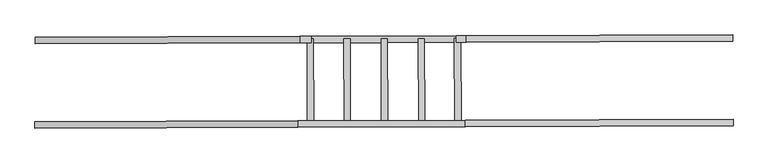
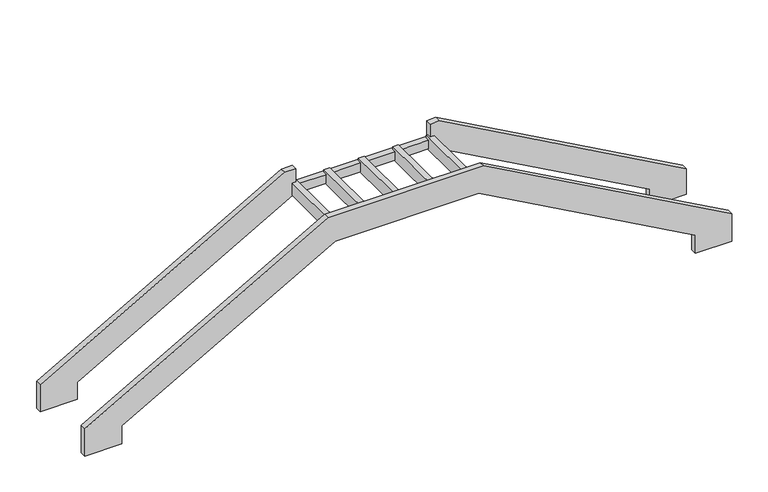
"""IFC4 building model written with IfcOpenShell, lengths in millimetres: stair geometry."""

from ifc_helpers import new_model, si_unit, origin, place, context, project, spatial, faceted_brep, source, transform, mapped, element, save


def stair_edecbb21(model_context):
    return source(origin(), model_context, "Body", "Brep", [
        faceted_brep([(-43125.0438191, 100260.071155, -2169.9020301), (-39566.9429432, 100272.5818663, -171.1765302), (-37167.6908509, 100281.0179258, -171.1765302), (-33550.7709802, 100293.7354518, -2182.107626), (-33550.7709802, 100293.7354518, -2503.2639797), (-32941.1094988, 100295.879095, -2503.2639797), (-32941.1094988, 100295.879095, -2024.1489021), (-37083.1965917, 100281.3150178, 278.7640832), (-39678.5890028, 100272.1893053, 278.7640832), (-43744.6606774, 100257.8925074, -2005.3086354), (-43744.6606774, 100257.8925074, -2484.9395685), (-43125.0438191, 100260.071155, -2484.9395685), (-43125.3961184, 100360.2666319, -2169.9020301), (-43125.3961184, 100360.2666319, -2484.9395685), (-43745.0129768, 100358.0879844, -2484.9395685), (-43745.0129768, 100358.0879844, -2005.3086354), (-39678.9413022, 100372.3847823, 278.7640832), (-37083.5488911, 100381.5104947, 278.7640832), (-32941.4617982, 100396.074572, -2024.1489021), (-32941.4617982, 100396.074572, -2503.2639797), (-33551.1232796, 100393.9309288, -2503.2639797), (-33551.1232796, 100393.9309288, -2182.107626), (-37168.0431503, 100381.2134027, -171.1765302), (-39567.2952426, 100372.7773433, -171.1765302), (-39526.8895444, 100372.9194146, -163.9867204), (-39431.9171883, 100373.2533488, -163.9867204), (-39431.9171883, 100373.2533488, 50.875), (-39526.8895444, 100372.9194146, 50.875), (-38958.6925861, 100374.9172635, -163.9867204), (-38863.7202299, 100375.2511978, -163.9867204), (-38863.7202299, 100375.2511978, 50.875), (-38958.6925861, 100374.9172635, 50.875), (-38381.9178689, 100376.9452729, -163.9867204), (-38286.9455128, 100377.2792072, -163.9867204), (-38286.9455128, 100377.2792072, 50.875), (-38381.9178689, 100376.9452729, 50.875), (-37808.8653389, 100378.9601947, -163.9867204), (-37713.8929827, 100379.2941289, -163.9867204), (-37713.8929827, 100379.2941289, 50.875), (-37808.8653389, 100378.9601947, 50.875), (-37248.6335156, 100380.9300373, -163.9867204), (-37151.1611749, 100381.2727618, -163.9867204), (-37151.1611749, 100381.2727618, 50.875), (-37248.6335156, 100380.9300373, 50.875), (-33555.3515486, 101596.4690823, -2167.6484851), (-33555.3515486, 101596.4690823, -2468.5005751), (-32945.6900672, 101598.6127255, -2468.5005751), (-32945.6900672, 101598.6127255, -2014.6897613), (-37070.7636709, 101584.1084697, 278.7640832), (-37225.7927136, 101583.5633689, 278.7640832), (-37225.7927136, 101583.5633689, 50.875), (-37155.3894439, 101583.8109153, 50.875), (-37155.3894439, 101583.8109153, -163.9867204), (-37159.1965864, 101583.7975289, -163.9867204), (-39467.0207442, 101575.6829411, 278.7640832), (-39649.051175, 101575.0429002, 278.7640832), (-43739.2413077, 101560.6612988, -2018.856924), (-43739.2413077, 101560.6612988, -2494.9395685), (-43119.6244493, 101562.8399464, -2494.9395685), (-43119.6244493, 101562.8399464, -2193.4503186), (-39506.8040762, 101575.5430581, -163.9867204), (-39531.1178134, 101575.4575681, -163.9867204), (-39531.1178134, 101575.4575681, 50.875), (-39467.0207442, 101575.6829411, 50.875), (-39436.1454573, 101575.7915023, -151.1765302), (-38962.9208551, 101577.455417, -151.1765302), (-38962.9208551, 101577.455417, 0.8640832), (-39436.1454573, 101575.7915023, 0.8640832), (-38867.948499, 101577.7893513, -151.1765302), (-38386.146138, 101579.4834264, -151.1765302), (-38386.146138, 101579.4834264, 0.8640832), (-38867.948499, 101577.7893513, 0.8640832), (-38291.1737819, 101579.8173607, -151.1765302), (-37813.0936079, 101581.4983482, -151.1765302), (-37813.0936079, 101581.4983482, 0.8640832), (-38291.1737819, 101579.8173607, 0.8640832), (-37718.1212518, 101581.8322824, -151.1765302), (-37252.8617846, 101583.4681908, -151.1765302), (-37252.8617846, 101583.4681908, 0.8640832), (-37718.1212518, 101581.8322824, 0.8640832), (-43119.9767486, 101663.0354233, -2193.4503186), (-43119.9767486, 101663.0354233, -2494.9395685), (-43739.593607, 101660.8567758, -2494.9395685), (-43739.593607, 101660.8567758, -2018.856924), (-39649.4034743, 101675.2383771, 278.7640832), (-39467.3730436, 101675.878418, 278.7640832), (-39467.3730436, 101675.878418, 0.8640832), (-37226.145013, 101683.7588458, 0.8640832), (-37226.145013, 101683.7588458, 278.7640832), (-37071.1159703, 101684.3039466, 278.7640832), (-32946.0423666, 101698.8082024, -2014.6897613), (-32946.0423666, 101698.8082024, -2468.5005751), (-33555.703848, 101696.6645592, -2468.5005751), (-33555.703848, 101696.6645592, -2167.6484851), (-37182.589671, 101683.9119917, -151.1765302), (-39484.3518689, 101675.8187184, -151.1765302), (-39484.2128299, 101636.2754176, -151.1765302), (-39507.0173366, 101636.1952342, -163.9867204), (-37182.450632, 101644.3686908, -151.1765302), (-37253.075045, 101644.1203669, -151.1765302), (-37718.3345121, 101642.4844585, -151.1765302), (-37813.3068683, 101642.1505243, -151.1765302), (-38291.3870422, 101640.4695368, -151.1765302), (-38386.3593983, 101640.1356025, -151.1765302), (-38868.1617593, 101638.4415274, -151.1765302), (-38963.1341154, 101638.1075931, -151.1765302), (-39436.3587177, 101636.4436784, -151.1765302), (-37159.4098467, 101644.449705, -163.9867204), (-37226.005974, 101644.215545, 0.8640832), (-37226.005974, 101644.215545, 50.875), (-39467.2340046, 101636.3351172, 0.8640832), (-39436.3587177, 101636.4436784, 0.8640832), (-38963.1341154, 101638.1075931, 0.8640832), (-38868.1617593, 101638.4415274, 0.8640832), (-38386.3593983, 101640.1356025, 0.8640832), (-38291.3870422, 101640.4695368, 0.8640832), (-37813.3068683, 101642.1505243, 0.8640832), (-37718.3345121, 101642.4844585, 0.8640832), (-37253.075045, 101644.1203669, 0.8640832), (-39467.2340046, 101636.3351172, 50.875), (-38963.1341154, 101638.1075931, 50.875), (-38868.1617593, 101638.4415274, 50.875), (-38868.1617593, 101638.4415274, -163.9867204), (-38963.1341154, 101638.1075931, -163.9867204), (-38386.3593983, 101640.1356025, 50.875), (-38291.3870422, 101640.4695368, 50.875), (-38291.3870422, 101640.4695368, -163.9867204), (-38386.3593983, 101640.1356025, -163.9867204), (-37813.3068683, 101642.1505243, 50.875), (-37718.3345121, 101642.4844585, 50.875), (-37718.3345121, 101642.4844585, -163.9867204), (-37813.3068683, 101642.1505243, -163.9867204), (-39436.3587177, 101636.4436784, 50.875), (-39436.3587177, 101636.4436784, -163.9867204), (-37253.075045, 101644.1203669, -163.9867204), (-37253.075045, 101644.1203669, 50.875)], [[[0, 1, 2, 3, 4, 5, 6, 7, 8, 9, 10, 11]], [[12, 13, 14, 15, 16, 17, 18, 19, 20, 21, 22, 23], [24, 25, 26, 27], [28, 29, 30, 31], [32, 33, 34, 35], [36, 37, 38, 39], [40, 41, 42, 43]], [[1, 0, 12, 23]], [[2, 1, 23, 22]], [[3, 2, 22, 21]], [[4, 3, 21, 20]], [[5, 4, 20, 19]], [[6, 5, 19, 18]], [[7, 6, 18, 17]], [[8, 7, 17, 16]], [[9, 8, 16, 15]], [[10, 9, 15, 14]], [[11, 10, 14, 13]], [[0, 11, 13, 12]], [[44, 45, 46, 47, 48, 49, 50, 51, 52, 53]], [[54, 55, 56, 57, 58, 59, 60, 61, 62, 63]], [[64, 65, 66, 67]], [[68, 69, 70, 71]], [[72, 73, 74, 75]], [[76, 77, 78, 79]], [[80, 81, 82, 83, 84, 85, 86, 87, 88, 89, 90, 91, 92, 93, 94, 95]], [[80, 95, 96, 97, 60, 59]], [[95, 94, 98, 99, 77, 76, 100, 101, 73, 72, 102, 103, 69, 68, 104, 105, 65, 64, 106, 96]], [[94, 93, 44, 53, 107, 98]], [[45, 44, 93, 92]], [[46, 45, 92, 91]], [[47, 46, 91, 90]], [[48, 47, 90, 89]], [[49, 48, 89, 88]], [[56, 55, 84, 83]], [[57, 56, 83, 82]], [[58, 57, 82, 81]], [[59, 58, 81, 80]], [[88, 87, 108, 109, 50, 49]], [[87, 86, 110, 111, 67, 66, 112, 113, 71, 70, 114, 115, 75, 74, 116, 117, 79, 78, 118, 108]], [[86, 85, 54, 63, 119, 110]], [[55, 54, 85, 84]], [[120, 121, 113, 112]], [[122, 123, 105, 104]], [[124, 125, 115, 114]], [[126, 127, 103, 102]], [[128, 129, 117, 116]], [[130, 131, 101, 100]], [[119, 132, 111, 110]], [[106, 133, 97, 96]], [[134, 99, 98, 107]], [[118, 135, 109, 108]], [[133, 25, 24, 61, 60, 97]], [[25, 133, 106, 64, 67, 111, 132, 26]], [[26, 132, 119, 63, 62, 27]], [[24, 27, 62, 61]], [[123, 122, 29, 28]], [[29, 122, 104, 68, 71, 113, 121, 30]], [[121, 120, 31, 30]], [[123, 28, 31, 120, 112, 66, 65, 105]], [[127, 126, 33, 32]], [[33, 126, 102, 72, 75, 115, 125, 34]], [[125, 124, 35, 34]], [[127, 32, 35, 124, 114, 70, 69, 103]], [[131, 130, 37, 36]], [[37, 130, 100, 76, 79, 117, 129, 38]], [[129, 128, 39, 38]], [[131, 36, 39, 128, 116, 74, 73, 101]], [[40, 134, 107, 53, 52, 41]], [[42, 41, 52, 51]], [[135, 43, 42, 51, 50, 109]], [[134, 40, 43, 135, 118, 78, 77, 99]]]),
    ])


if __name__ == "__main__":
    model = new_model("IFC4")
    model_context = context("Model", 3, world=origin())
    ifc_project = project(units=[si_unit("LENGTHUNIT", "METRE", prefix="MILLI")], contexts=[model_context])
    site = spatial("IfcSite", under=ifc_project)
    building = spatial("IfcBuilding", under=site)
    placement = place(None, origin())
    stair_shape = stair_edecbb21(model_context)
    element("IfcStair", 1, at=placement, inside=building, context=model_context, shape_type="MappedRepresentation", body=[
        mapped(stair_shape, transform((0.0, 0.0, 0.0), x_axis=(1.0, 0.0, 0.0), y_axis=(0.0, 1.0, 0.0), z_axis=(0.0, 0.0, 1.0))),
    ])
    save(model, "model.ifc")
